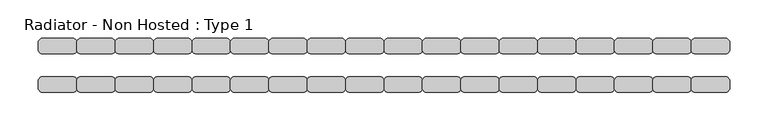
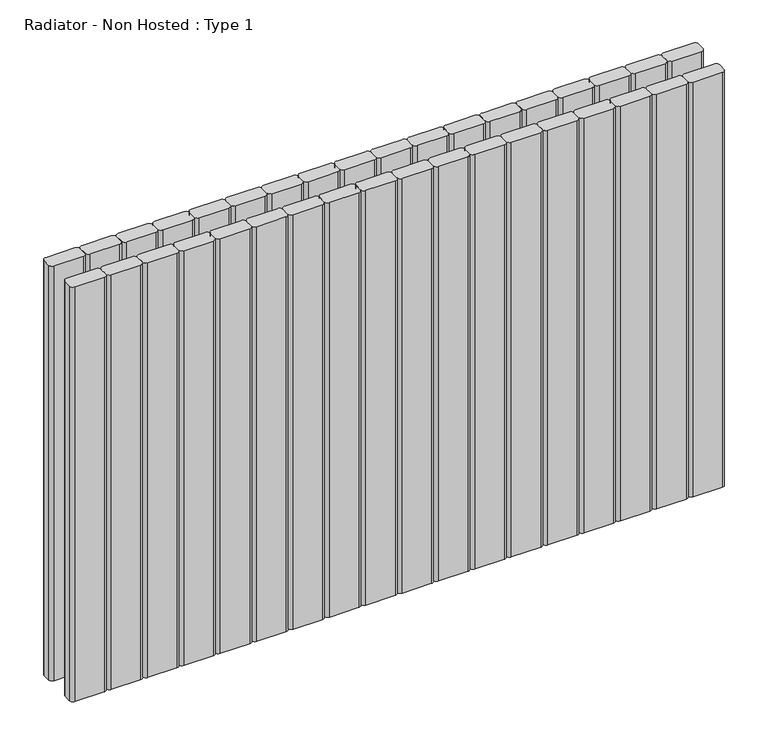
"""IFC4 building model written with IfcOpenShell, lengths in millimetres: proxy geometry, Radiator - Non Hosted : Type 1."""

from ifc_helpers import new_model, si_unit, point, frame, frame_2d, origin, place, context, project, spatial, polyline, circle_curve, trimmed, segment, composite_curve, outline, extrude, source, transform, mapped, element, save


def radiator_non_hosted_type_1_7d9eb847(model_context):
    return source(origin(), model_context, "Body", "SweptSolid", [
        extrude(outline(composite_curve([segment(trimmed(circle_curve(frame_2d((995.0, 105.0)), 5.0), [point((995.0, 110.0))], [point((1000.0, 105.0))], False, "CARTESIAN"), True, "CONTINUOUS"), segment(polyline([(1000.0, 105.0), (1000.0, 95.0)]), True, "CONTINUOUS"), segment(trimmed(circle_curve(frame_2d((995.0, 95.0)), 5.0), [point((1000.0, 95.0))], [point((995.0, 90.0))], False, "CARTESIAN"), True, "CONTINUOUS"), segment(polyline([(995.0, 90.0), (955.0, 90.0)]), True, "CONTINUOUS"), segment(trimmed(circle_curve(frame_2d((955.0, 95.0)), 5.0), [point((955.0, 90.0))], [point((950.0, 95.0))], False, "CARTESIAN"), True, "CONTINUOUS"), segment(polyline([(950.0, 95.0), (950.0, 105.0)]), True, "CONTINUOUS"), segment(trimmed(circle_curve(frame_2d((955.0, 105.0)), 5.0), [point((950.0, 105.0))], [point((955.0, 110.0))], False, "CARTESIAN"), True, "CONTINUOUS"), segment(polyline([(955.0, 110.0), (995.0, 110.0)]), True, "CONTINUOUS")], self_intersect=False)), frame((0.0, 0.0, 100.0), z_axis=(0.0, 0.0, 1.0), x_axis=(1.0, 0.0, 0.0)), (0.0, 0.0, 1.0), 602.7178758),
        extrude(outline(composite_curve([segment(trimmed(circle_curve(frame_2d((945.0, 105.0)), 5.0), [point((945.0, 110.0))], [point((950.0, 105.0))], False, "CARTESIAN"), True, "CONTINUOUS"), segment(polyline([(950.0, 105.0), (950.0, 95.0)]), True, "CONTINUOUS"), segment(trimmed(circle_curve(frame_2d((945.0, 95.0)), 5.0), [point((950.0, 95.0))], [point((945.0, 90.0))], False, "CARTESIAN"), True, "CONTINUOUS"), segment(polyline([(945.0, 90.0), (905.0, 90.0)]), True, "CONTINUOUS"), segment(trimmed(circle_curve(frame_2d((905.0, 95.0)), 5.0), [point((905.0, 90.0))], [point((900.0, 95.0))], False, "CARTESIAN"), True, "CONTINUOUS"), segment(polyline([(900.0, 95.0), (900.0, 105.0)]), True, "CONTINUOUS"), segment(trimmed(circle_curve(frame_2d((905.0, 105.0)), 5.0), [point((900.0, 105.0))], [point((905.0, 110.0))], False, "CARTESIAN"), True, "CONTINUOUS"), segment(polyline([(905.0, 110.0), (945.0, 110.0)]), True, "CONTINUOUS")], self_intersect=False)), frame((0.0, 0.0, 100.0), z_axis=(0.0, 0.0, 1.0), x_axis=(1.0, 0.0, 0.0)), (0.0, 0.0, 1.0), 602.7178758),
        extrude(outline(composite_curve([segment(trimmed(circle_curve(frame_2d((895.0, 105.0)), 5.0), [point((895.0, 110.0))], [point((900.0, 105.0))], False, "CARTESIAN"), True, "CONTINUOUS"), segment(polyline([(900.0, 105.0), (900.0, 95.0)]), True, "CONTINUOUS"), segment(trimmed(circle_curve(frame_2d((895.0, 95.0)), 5.0), [point((900.0, 95.0))], [point((895.0, 90.0))], False, "CARTESIAN"), True, "CONTINUOUS"), segment(polyline([(895.0, 90.0), (855.0, 90.0)]), True, "CONTINUOUS"), segment(trimmed(circle_curve(frame_2d((855.0, 95.0)), 5.0), [point((855.0, 90.0))], [point((850.0, 95.0))], False, "CARTESIAN"), True, "CONTINUOUS"), segment(polyline([(850.0, 95.0), (850.0, 105.0)]), True, "CONTINUOUS"), segment(trimmed(circle_curve(frame_2d((855.0, 105.0)), 5.0), [point((850.0, 105.0))], [point((855.0, 110.0))], False, "CARTESIAN"), True, "CONTINUOUS"), segment(polyline([(855.0, 110.0), (895.0, 110.0)]), True, "CONTINUOUS")], self_intersect=False)), frame((0.0, 0.0, 100.0), z_axis=(0.0, 0.0, 1.0), x_axis=(1.0, 0.0, 0.0)), (0.0, 0.0, 1.0), 602.7178758),
        extrude(outline(composite_curve([segment(trimmed(circle_curve(frame_2d((845.0, 105.0)), 5.0), [point((845.0, 110.0))], [point((850.0, 105.0))], False, "CARTESIAN"), True, "CONTINUOUS"), segment(polyline([(850.0, 105.0), (850.0, 95.0)]), True, "CONTINUOUS"), segment(trimmed(circle_curve(frame_2d((845.0, 95.0)), 5.0), [point((850.0, 95.0))], [point((845.0, 90.0))], False, "CARTESIAN"), True, "CONTINUOUS"), segment(polyline([(845.0, 90.0), (805.0, 90.0)]), True, "CONTINUOUS"), segment(trimmed(circle_curve(frame_2d((805.0, 95.0)), 5.0), [point((805.0, 90.0))], [point((800.0, 95.0))], False, "CARTESIAN"), True, "CONTINUOUS"), segment(polyline([(800.0, 95.0), (800.0, 105.0)]), True, "CONTINUOUS"), segment(trimmed(circle_curve(frame_2d((805.0, 105.0)), 5.0), [point((800.0, 105.0))], [point((805.0, 110.0))], False, "CARTESIAN"), True, "CONTINUOUS"), segment(polyline([(805.0, 110.0), (845.0, 110.0)]), True, "CONTINUOUS")], self_intersect=False)), frame((0.0, 0.0, 100.0), z_axis=(0.0, 0.0, 1.0), x_axis=(1.0, 0.0, 0.0)), (0.0, 0.0, 1.0), 602.7178758),
        extrude(outline(composite_curve([segment(trimmed(circle_curve(frame_2d((795.0, 105.0)), 5.0), [point((795.0, 110.0))], [point((800.0, 105.0))], False, "CARTESIAN"), True, "CONTINUOUS"), segment(polyline([(800.0, 105.0), (800.0, 95.0)]), True, "CONTINUOUS"), segment(trimmed(circle_curve(frame_2d((795.0, 95.0)), 5.0), [point((800.0, 95.0))], [point((795.0, 90.0))], False, "CARTESIAN"), True, "CONTINUOUS"), segment(polyline([(795.0, 90.0), (755.0, 90.0)]), True, "CONTINUOUS"), segment(trimmed(circle_curve(frame_2d((755.0, 95.0)), 5.0), [point((755.0, 90.0))], [point((750.0, 95.0))], False, "CARTESIAN"), True, "CONTINUOUS"), segment(polyline([(750.0, 95.0), (750.0, 105.0)]), True, "CONTINUOUS"), segment(trimmed(circle_curve(frame_2d((755.0, 105.0)), 5.0), [point((750.0, 105.0))], [point((755.0, 110.0))], False, "CARTESIAN"), True, "CONTINUOUS"), segment(polyline([(755.0, 110.0), (795.0, 110.0)]), True, "CONTINUOUS")], self_intersect=False)), frame((0.0, 0.0, 100.0), z_axis=(0.0, 0.0, 1.0), x_axis=(1.0, 0.0, 0.0)), (0.0, 0.0, 1.0), 602.7178758),
        extrude(outline(composite_curve([segment(trimmed(circle_curve(frame_2d((745.0, 105.0)), 5.0), [point((745.0, 110.0))], [point((750.0, 105.0))], False, "CARTESIAN"), True, "CONTINUOUS"), segment(polyline([(750.0, 105.0), (750.0, 95.0)]), True, "CONTINUOUS"), segment(trimmed(circle_curve(frame_2d((745.0, 95.0)), 5.0), [point((750.0, 95.0))], [point((745.0, 90.0))], False, "CARTESIAN"), True, "CONTINUOUS"), segment(polyline([(745.0, 90.0), (705.0, 90.0)]), True, "CONTINUOUS"), segment(trimmed(circle_curve(frame_2d((705.0, 95.0)), 5.0), [point((705.0, 90.0))], [point((700.0, 95.0))], False, "CARTESIAN"), True, "CONTINUOUS"), segment(polyline([(700.0, 95.0), (700.0, 105.0)]), True, "CONTINUOUS"), segment(trimmed(circle_curve(frame_2d((705.0, 105.0)), 5.0), [point((700.0, 105.0))], [point((705.0, 110.0))], False, "CARTESIAN"), True, "CONTINUOUS"), segment(polyline([(705.0, 110.0), (745.0, 110.0)]), True, "CONTINUOUS")], self_intersect=False)), frame((0.0, 0.0, 100.0), z_axis=(0.0, 0.0, 1.0), x_axis=(1.0, 0.0, 0.0)), (0.0, 0.0, 1.0), 602.7178758),
        extrude(outline(composite_curve([segment(trimmed(circle_curve(frame_2d((695.0, 105.0)), 5.0), [point((695.0, 110.0))], [point((700.0, 105.0))], False, "CARTESIAN"), True, "CONTINUOUS"), segment(polyline([(700.0, 105.0), (700.0, 95.0)]), True, "CONTINUOUS"), segment(trimmed(circle_curve(frame_2d((695.0, 95.0)), 5.0), [point((700.0, 95.0))], [point((695.0, 90.0))], False, "CARTESIAN"), True, "CONTINUOUS"), segment(polyline([(695.0, 90.0), (655.0, 90.0)]), True, "CONTINUOUS"), segment(trimmed(circle_curve(frame_2d((655.0, 95.0)), 5.0), [point((655.0, 90.0))], [point((650.0, 95.0))], False, "CARTESIAN"), True, "CONTINUOUS"), segment(polyline([(650.0, 95.0), (650.0, 105.0)]), True, "CONTINUOUS"), segment(trimmed(circle_curve(frame_2d((655.0, 105.0)), 5.0), [point((650.0, 105.0))], [point((655.0, 110.0))], False, "CARTESIAN"), True, "CONTINUOUS"), segment(polyline([(655.0, 110.0), (695.0, 110.0)]), True, "CONTINUOUS")], self_intersect=False)), frame((0.0, 0.0, 100.0), z_axis=(0.0, 0.0, 1.0), x_axis=(1.0, 0.0, 0.0)), (0.0, 0.0, 1.0), 602.7178758),
        extrude(outline(composite_curve([segment(trimmed(circle_curve(frame_2d((645.0, 105.0)), 5.0), [point((645.0, 110.0))], [point((650.0, 105.0))], False, "CARTESIAN"), True, "CONTINUOUS"), segment(polyline([(650.0, 105.0), (650.0, 95.0)]), True, "CONTINUOUS"), segment(trimmed(circle_curve(frame_2d((645.0, 95.0)), 5.0), [point((650.0, 95.0))], [point((645.0, 90.0))], False, "CARTESIAN"), True, "CONTINUOUS"), segment(polyline([(645.0, 90.0), (605.0, 90.0)]), True, "CONTINUOUS"), segment(trimmed(circle_curve(frame_2d((605.0, 95.0)), 5.0), [point((605.0, 90.0))], [point((600.0, 95.0))], False, "CARTESIAN"), True, "CONTINUOUS"), segment(polyline([(600.0, 95.0), (600.0, 105.0)]), True, "CONTINUOUS"), segment(trimmed(circle_curve(frame_2d((605.0, 105.0)), 5.0), [point((600.0, 105.0))], [point((605.0, 110.0))], False, "CARTESIAN"), True, "CONTINUOUS"), segment(polyline([(605.0, 110.0), (645.0, 110.0)]), True, "CONTINUOUS")], self_intersect=False)), frame((0.0, 0.0, 100.0), z_axis=(0.0, 0.0, 1.0), x_axis=(1.0, 0.0, 0.0)), (0.0, 0.0, 1.0), 602.7178758),
        extrude(outline(composite_curve([segment(trimmed(circle_curve(frame_2d((995.0, 55.0)), 5.0), [point((995.0, 60.0))], [point((1000.0, 55.0))], False, "CARTESIAN"), True, "CONTINUOUS"), segment(polyline([(1000.0, 55.0), (1000.0, 45.0)]), True, "CONTINUOUS"), segment(trimmed(circle_curve(frame_2d((995.0, 45.0)), 5.0), [point((1000.0, 45.0))], [point((995.0, 40.0))], False, "CARTESIAN"), True, "CONTINUOUS"), segment(polyline([(995.0, 40.0), (955.0, 40.0)]), True, "CONTINUOUS"), segment(trimmed(circle_curve(frame_2d((955.0, 45.0)), 5.0), [point((955.0, 40.0))], [point((950.0, 45.0))], False, "CARTESIAN"), True, "CONTINUOUS"), segment(polyline([(950.0, 45.0), (950.0, 55.0)]), True, "CONTINUOUS"), segment(trimmed(circle_curve(frame_2d((955.0, 55.0)), 5.0), [point((950.0, 55.0))], [point((955.0, 60.0))], False, "CARTESIAN"), True, "CONTINUOUS"), segment(polyline([(955.0, 60.0), (995.0, 60.0)]), True, "CONTINUOUS")], self_intersect=False)), frame((0.0, 0.0, 100.0), z_axis=(0.0, 0.0, 1.0), x_axis=(1.0, 0.0, 0.0)), (0.0, 0.0, 1.0), 602.7178758),
        extrude(outline(composite_curve([segment(trimmed(circle_curve(frame_2d((945.0, 55.0)), 5.0), [point((945.0, 60.0))], [point((950.0, 55.0))], False, "CARTESIAN"), True, "CONTINUOUS"), segment(polyline([(950.0, 55.0), (950.0, 45.0)]), True, "CONTINUOUS"), segment(trimmed(circle_curve(frame_2d((945.0, 45.0)), 5.0), [point((950.0, 45.0))], [point((945.0, 40.0))], False, "CARTESIAN"), True, "CONTINUOUS"), segment(polyline([(945.0, 40.0), (905.0, 40.0)]), True, "CONTINUOUS"), segment(trimmed(circle_curve(frame_2d((905.0, 45.0)), 5.0), [point((905.0, 40.0))], [point((900.0, 45.0))], False, "CARTESIAN"), True, "CONTINUOUS"), segment(polyline([(900.0, 45.0), (900.0, 55.0)]), True, "CONTINUOUS"), segment(trimmed(circle_curve(frame_2d((905.0, 55.0)), 5.0), [point((900.0, 55.0))], [point((905.0, 60.0))], False, "CARTESIAN"), True, "CONTINUOUS"), segment(polyline([(905.0, 60.0), (945.0, 60.0)]), True, "CONTINUOUS")], self_intersect=False)), frame((0.0, 0.0, 100.0), z_axis=(0.0, 0.0, 1.0), x_axis=(1.0, 0.0, 0.0)), (0.0, 0.0, 1.0), 602.7178758),
        extrude(outline(composite_curve([segment(trimmed(circle_curve(frame_2d((895.0, 55.0)), 5.0), [point((895.0, 60.0))], [point((900.0, 55.0))], False, "CARTESIAN"), True, "CONTINUOUS"), segment(polyline([(900.0, 55.0), (900.0, 45.0)]), True, "CONTINUOUS"), segment(trimmed(circle_curve(frame_2d((895.0, 45.0)), 5.0), [point((900.0, 45.0))], [point((895.0, 40.0))], False, "CARTESIAN"), True, "CONTINUOUS"), segment(polyline([(895.0, 40.0), (855.0, 40.0)]), True, "CONTINUOUS"), segment(trimmed(circle_curve(frame_2d((855.0, 45.0)), 5.0), [point((855.0, 40.0))], [point((850.0, 45.0))], False, "CARTESIAN"), True, "CONTINUOUS"), segment(polyline([(850.0, 45.0), (850.0, 55.0)]), True, "CONTINUOUS"), segment(trimmed(circle_curve(frame_2d((855.0, 55.0)), 5.0), [point((850.0, 55.0))], [point((855.0, 60.0))], False, "CARTESIAN"), True, "CONTINUOUS"), segment(polyline([(855.0, 60.0), (895.0, 60.0)]), True, "CONTINUOUS")], self_intersect=False)), frame((0.0, 0.0, 100.0), z_axis=(0.0, 0.0, 1.0), x_axis=(1.0, 0.0, 0.0)), (0.0, 0.0, 1.0), 602.7178758),
        extrude(outline(composite_curve([segment(trimmed(circle_curve(frame_2d((845.0, 55.0)), 5.0), [point((845.0, 60.0))], [point((850.0, 55.0))], False, "CARTESIAN"), True, "CONTINUOUS"), segment(polyline([(850.0, 55.0), (850.0, 45.0)]), True, "CONTINUOUS"), segment(trimmed(circle_curve(frame_2d((845.0, 45.0)), 5.0), [point((850.0, 45.0))], [point((845.0, 40.0))], False, "CARTESIAN"), True, "CONTINUOUS"), segment(polyline([(845.0, 40.0), (805.0, 40.0)]), True, "CONTINUOUS"), segment(trimmed(circle_curve(frame_2d((805.0, 45.0)), 5.0), [point((805.0, 40.0))], [point((800.0, 45.0))], False, "CARTESIAN"), True, "CONTINUOUS"), segment(polyline([(800.0, 45.0), (800.0, 55.0)]), True, "CONTINUOUS"), segment(trimmed(circle_curve(frame_2d((805.0, 55.0)), 5.0), [point((800.0, 55.0))], [point((805.0, 60.0))], False, "CARTESIAN"), True, "CONTINUOUS"), segment(polyline([(805.0, 60.0), (845.0, 60.0)]), True, "CONTINUOUS")], self_intersect=False)), frame((0.0, 0.0, 100.0), z_axis=(0.0, 0.0, 1.0), x_axis=(1.0, 0.0, 0.0)), (0.0, 0.0, 1.0), 602.7178758),
        extrude(outline(composite_curve([segment(trimmed(circle_curve(frame_2d((795.0, 55.0)), 5.0), [point((795.0, 60.0))], [point((800.0, 55.0))], False, "CARTESIAN"), True, "CONTINUOUS"), segment(polyline([(800.0, 55.0), (800.0, 45.0)]), True, "CONTINUOUS"), segment(trimmed(circle_curve(frame_2d((795.0, 45.0)), 5.0), [point((800.0, 45.0))], [point((795.0, 40.0))], False, "CARTESIAN"), True, "CONTINUOUS"), segment(polyline([(795.0, 40.0), (755.0, 40.0)]), True, "CONTINUOUS"), segment(trimmed(circle_curve(frame_2d((755.0, 45.0)), 5.0), [point((755.0, 40.0))], [point((750.0, 45.0))], False, "CARTESIAN"), True, "CONTINUOUS"), segment(polyline([(750.0, 45.0), (750.0, 55.0)]), True, "CONTINUOUS"), segment(trimmed(circle_curve(frame_2d((755.0, 55.0)), 5.0), [point((750.0, 55.0))], [point((755.0, 60.0))], False, "CARTESIAN"), True, "CONTINUOUS"), segment(polyline([(755.0, 60.0), (795.0, 60.0)]), True, "CONTINUOUS")], self_intersect=False)), frame((0.0, 0.0, 100.0), z_axis=(0.0, 0.0, 1.0), x_axis=(1.0, 0.0, 0.0)), (0.0, 0.0, 1.0), 602.7178758),
        extrude(outline(composite_curve([segment(trimmed(circle_curve(frame_2d((745.0, 55.0)), 5.0), [point((745.0, 60.0))], [point((750.0, 55.0))], False, "CARTESIAN"), True, "CONTINUOUS"), segment(polyline([(750.0, 55.0), (750.0, 45.0)]), True, "CONTINUOUS"), segment(trimmed(circle_curve(frame_2d((745.0, 45.0)), 5.0), [point((750.0, 45.0))], [point((745.0, 40.0))], False, "CARTESIAN"), True, "CONTINUOUS"), segment(polyline([(745.0, 40.0), (705.0, 40.0)]), True, "CONTINUOUS"), segment(trimmed(circle_curve(frame_2d((705.0, 45.0)), 5.0), [point((705.0, 40.0))], [point((700.0, 45.0))], False, "CARTESIAN"), True, "CONTINUOUS"), segment(polyline([(700.0, 45.0), (700.0, 55.0)]), True, "CONTINUOUS"), segment(trimmed(circle_curve(frame_2d((705.0, 55.0)), 5.0), [point((700.0, 55.0))], [point((705.0, 60.0))], False, "CARTESIAN"), True, "CONTINUOUS"), segment(polyline([(705.0, 60.0), (745.0, 60.0)]), True, "CONTINUOUS")], self_intersect=False)), frame((0.0, 0.0, 100.0), z_axis=(0.0, 0.0, 1.0), x_axis=(1.0, 0.0, 0.0)), (0.0, 0.0, 1.0), 602.7178758),
        extrude(outline(composite_curve([segment(trimmed(circle_curve(frame_2d((695.0, 55.0)), 5.0), [point((695.0, 60.0))], [point((700.0, 55.0))], False, "CARTESIAN"), True, "CONTINUOUS"), segment(polyline([(700.0, 55.0), (700.0, 45.0)]), True, "CONTINUOUS"), segment(trimmed(circle_curve(frame_2d((695.0, 45.0)), 5.0), [point((700.0, 45.0))], [point((695.0, 40.0))], False, "CARTESIAN"), True, "CONTINUOUS"), segment(polyline([(695.0, 40.0), (655.0, 40.0)]), True, "CONTINUOUS"), segment(trimmed(circle_curve(frame_2d((655.0, 45.0)), 5.0), [point((655.0, 40.0))], [point((650.0, 45.0))], False, "CARTESIAN"), True, "CONTINUOUS"), segment(polyline([(650.0, 45.0), (650.0, 55.0)]), True, "CONTINUOUS"), segment(trimmed(circle_curve(frame_2d((655.0, 55.0)), 5.0), [point((650.0, 55.0))], [point((655.0, 60.0))], False, "CARTESIAN"), True, "CONTINUOUS"), segment(polyline([(655.0, 60.0), (695.0, 60.0)]), True, "CONTINUOUS")], self_intersect=False)), frame((0.0, 0.0, 100.0), z_axis=(0.0, 0.0, 1.0), x_axis=(1.0, 0.0, 0.0)), (0.0, 0.0, 1.0), 602.7178758),
        extrude(outline(composite_curve([segment(trimmed(circle_curve(frame_2d((645.0, 55.0)), 5.0), [point((645.0, 60.0))], [point((650.0, 55.0))], False, "CARTESIAN"), True, "CONTINUOUS"), segment(polyline([(650.0, 55.0), (650.0, 45.0)]), True, "CONTINUOUS"), segment(trimmed(circle_curve(frame_2d((645.0, 45.0)), 5.0), [point((650.0, 45.0))], [point((645.0, 40.0))], False, "CARTESIAN"), True, "CONTINUOUS"), segment(polyline([(645.0, 40.0), (605.0, 40.0)]), True, "CONTINUOUS"), segment(trimmed(circle_curve(frame_2d((605.0, 45.0)), 5.0), [point((605.0, 40.0))], [point((600.0, 45.0))], False, "CARTESIAN"), True, "CONTINUOUS"), segment(polyline([(600.0, 45.0), (600.0, 55.0)]), True, "CONTINUOUS"), segment(trimmed(circle_curve(frame_2d((605.0, 55.0)), 5.0), [point((600.0, 55.0))], [point((605.0, 60.0))], False, "CARTESIAN"), True, "CONTINUOUS"), segment(polyline([(605.0, 60.0), (645.0, 60.0)]), True, "CONTINUOUS")], self_intersect=False)), frame((0.0, 0.0, 100.0), z_axis=(0.0, 0.0, 1.0), x_axis=(1.0, 0.0, 0.0)), (0.0, 0.0, 1.0), 602.7178758),
        extrude(outline(composite_curve([segment(trimmed(circle_curve(frame_2d((595.0, 105.0)), 5.0), [point((595.0, 110.0))], [point((600.0, 105.0))], False, "CARTESIAN"), True, "CONTINUOUS"), segment(polyline([(600.0, 105.0), (600.0, 95.0)]), True, "CONTINUOUS"), segment(trimmed(circle_curve(frame_2d((595.0, 95.0)), 5.0), [point((600.0, 95.0))], [point((595.0, 90.0))], False, "CARTESIAN"), True, "CONTINUOUS"), segment(polyline([(595.0, 90.0), (555.0, 90.0)]), True, "CONTINUOUS"), segment(trimmed(circle_curve(frame_2d((555.0, 95.0)), 5.0), [point((555.0, 90.0))], [point((550.0, 95.0))], False, "CARTESIAN"), True, "CONTINUOUS"), segment(polyline([(550.0, 95.0), (550.0, 105.0)]), True, "CONTINUOUS"), segment(trimmed(circle_curve(frame_2d((555.0, 105.0)), 5.0), [point((550.0, 105.0))], [point((555.0, 110.0))], False, "CARTESIAN"), True, "CONTINUOUS"), segment(polyline([(555.0, 110.0), (595.0, 110.0)]), True, "CONTINUOUS")], self_intersect=False)), frame((0.0, 0.0, 100.0), z_axis=(0.0, 0.0, 1.0), x_axis=(1.0, 0.0, 0.0)), (0.0, 0.0, 1.0), 602.7178758),
        extrude(outline(composite_curve([segment(trimmed(circle_curve(frame_2d((545.0, 105.0)), 5.0), [point((545.0, 110.0))], [point((550.0, 105.0))], False, "CARTESIAN"), True, "CONTINUOUS"), segment(polyline([(550.0, 105.0), (550.0, 95.0)]), True, "CONTINUOUS"), segment(trimmed(circle_curve(frame_2d((545.0, 95.0)), 5.0), [point((550.0, 95.0))], [point((545.0, 90.0))], False, "CARTESIAN"), True, "CONTINUOUS"), segment(polyline([(545.0, 90.0), (505.0, 90.0)]), True, "CONTINUOUS"), segment(trimmed(circle_curve(frame_2d((505.0, 95.0)), 5.0), [point((505.0, 90.0))], [point((500.0, 95.0))], False, "CARTESIAN"), True, "CONTINUOUS"), segment(polyline([(500.0, 95.0), (500.0, 105.0)]), True, "CONTINUOUS"), segment(trimmed(circle_curve(frame_2d((505.0, 105.0)), 5.0), [point((500.0, 105.0))], [point((505.0, 110.0))], False, "CARTESIAN"), True, "CONTINUOUS"), segment(polyline([(505.0, 110.0), (545.0, 110.0)]), True, "CONTINUOUS")], self_intersect=False)), frame((0.0, 0.0, 100.0), z_axis=(0.0, 0.0, 1.0), x_axis=(1.0, 0.0, 0.0)), (0.0, 0.0, 1.0), 602.7178758),
        extrude(outline(composite_curve([segment(trimmed(circle_curve(frame_2d((495.0, 105.0)), 5.0), [point((495.0, 110.0))], [point((500.0, 105.0))], False, "CARTESIAN"), True, "CONTINUOUS"), segment(polyline([(500.0, 105.0), (500.0, 95.0)]), True, "CONTINUOUS"), segment(trimmed(circle_curve(frame_2d((495.0, 95.0)), 5.0), [point((500.0, 95.0))], [point((495.0, 90.0))], False, "CARTESIAN"), True, "CONTINUOUS"), segment(polyline([(495.0, 90.0), (455.0, 90.0)]), True, "CONTINUOUS"), segment(trimmed(circle_curve(frame_2d((455.0, 95.0)), 5.0), [point((455.0, 90.0))], [point((450.0, 95.0))], False, "CARTESIAN"), True, "CONTINUOUS"), segment(polyline([(450.0, 95.0), (450.0, 105.0)]), True, "CONTINUOUS"), segment(trimmed(circle_curve(frame_2d((455.0, 105.0)), 5.0), [point((450.0, 105.0))], [point((455.0, 110.0))], False, "CARTESIAN"), True, "CONTINUOUS"), segment(polyline([(455.0, 110.0), (495.0, 110.0)]), True, "CONTINUOUS")], self_intersect=False)), frame((0.0, 0.0, 100.0), z_axis=(0.0, 0.0, 1.0), x_axis=(1.0, 0.0, 0.0)), (0.0, 0.0, 1.0), 602.7178758),
        extrude(outline(composite_curve([segment(trimmed(circle_curve(frame_2d((445.0, 105.0)), 5.0), [point((445.0, 110.0))], [point((450.0, 105.0))], False, "CARTESIAN"), True, "CONTINUOUS"), segment(polyline([(450.0, 105.0), (450.0, 95.0)]), True, "CONTINUOUS"), segment(trimmed(circle_curve(frame_2d((445.0, 95.0)), 5.0), [point((450.0, 95.0))], [point((445.0, 90.0))], False, "CARTESIAN"), True, "CONTINUOUS"), segment(polyline([(445.0, 90.0), (405.0, 90.0)]), True, "CONTINUOUS"), segment(trimmed(circle_curve(frame_2d((405.0, 95.0)), 5.0), [point((405.0, 90.0))], [point((400.0, 95.0))], False, "CARTESIAN"), True, "CONTINUOUS"), segment(polyline([(400.0, 95.0), (400.0, 105.0)]), True, "CONTINUOUS"), segment(trimmed(circle_curve(frame_2d((405.0, 105.0)), 5.0), [point((400.0, 105.0))], [point((405.0, 110.0))], False, "CARTESIAN"), True, "CONTINUOUS"), segment(polyline([(405.0, 110.0), (445.0, 110.0)]), True, "CONTINUOUS")], self_intersect=False)), frame((0.0, 0.0, 100.0), z_axis=(0.0, 0.0, 1.0), x_axis=(1.0, 0.0, 0.0)), (0.0, 0.0, 1.0), 602.7178758),
        extrude(outline(composite_curve([segment(trimmed(circle_curve(frame_2d((395.0, 105.0)), 5.0), [point((395.0, 110.0))], [point((400.0, 105.0))], False, "CARTESIAN"), True, "CONTINUOUS"), segment(polyline([(400.0, 105.0), (400.0, 95.0)]), True, "CONTINUOUS"), segment(trimmed(circle_curve(frame_2d((395.0, 95.0)), 5.0), [point((400.0, 95.0))], [point((395.0, 90.0))], False, "CARTESIAN"), True, "CONTINUOUS"), segment(polyline([(395.0, 90.0), (355.0, 90.0)]), True, "CONTINUOUS"), segment(trimmed(circle_curve(frame_2d((355.0, 95.0)), 5.0), [point((355.0, 90.0))], [point((350.0, 95.0))], False, "CARTESIAN"), True, "CONTINUOUS"), segment(polyline([(350.0, 95.0), (350.0, 105.0)]), True, "CONTINUOUS"), segment(trimmed(circle_curve(frame_2d((355.0, 105.0)), 5.0), [point((350.0, 105.0))], [point((355.0, 110.0))], False, "CARTESIAN"), True, "CONTINUOUS"), segment(polyline([(355.0, 110.0), (395.0, 110.0)]), True, "CONTINUOUS")], self_intersect=False)), frame((0.0, 0.0, 100.0), z_axis=(0.0, 0.0, 1.0), x_axis=(1.0, 0.0, 0.0)), (0.0, 0.0, 1.0), 602.7178758),
        extrude(outline(composite_curve([segment(trimmed(circle_curve(frame_2d((345.0, 105.0)), 5.0), [point((345.0, 110.0))], [point((350.0, 105.0))], False, "CARTESIAN"), True, "CONTINUOUS"), segment(polyline([(350.0, 105.0), (350.0, 95.0)]), True, "CONTINUOUS"), segment(trimmed(circle_curve(frame_2d((345.0, 95.0)), 5.0), [point((350.0, 95.0))], [point((345.0, 90.0))], False, "CARTESIAN"), True, "CONTINUOUS"), segment(polyline([(345.0, 90.0), (305.0, 90.0)]), True, "CONTINUOUS"), segment(trimmed(circle_curve(frame_2d((305.0, 95.0)), 5.0), [point((305.0, 90.0))], [point((300.0, 95.0))], False, "CARTESIAN"), True, "CONTINUOUS"), segment(polyline([(300.0, 95.0), (300.0, 105.0)]), True, "CONTINUOUS"), segment(trimmed(circle_curve(frame_2d((305.0, 105.0)), 5.0), [point((300.0, 105.0))], [point((305.0, 110.0))], False, "CARTESIAN"), True, "CONTINUOUS"), segment(polyline([(305.0, 110.0), (345.0, 110.0)]), True, "CONTINUOUS")], self_intersect=False)), frame((0.0, 0.0, 100.0), z_axis=(0.0, 0.0, 1.0), x_axis=(1.0, 0.0, 0.0)), (0.0, 0.0, 1.0), 602.7178758),
        extrude(outline(composite_curve([segment(trimmed(circle_curve(frame_2d((295.0, 105.0)), 5.0), [point((295.0, 110.0))], [point((300.0, 105.0))], False, "CARTESIAN"), True, "CONTINUOUS"), segment(polyline([(300.0, 105.0), (300.0, 95.0)]), True, "CONTINUOUS"), segment(trimmed(circle_curve(frame_2d((295.0, 95.0)), 5.0), [point((300.0, 95.0))], [point((295.0, 90.0))], False, "CARTESIAN"), True, "CONTINUOUS"), segment(polyline([(295.0, 90.0), (255.0, 90.0)]), True, "CONTINUOUS"), segment(trimmed(circle_curve(frame_2d((255.0, 95.0)), 5.0), [point((255.0, 90.0))], [point((250.0, 95.0))], False, "CARTESIAN"), True, "CONTINUOUS"), segment(polyline([(250.0, 95.0), (250.0, 105.0)]), True, "CONTINUOUS"), segment(trimmed(circle_curve(frame_2d((255.0, 105.0)), 5.0), [point((250.0, 105.0))], [point((255.0, 110.0))], False, "CARTESIAN"), True, "CONTINUOUS"), segment(polyline([(255.0, 110.0), (295.0, 110.0)]), True, "CONTINUOUS")], self_intersect=False)), frame((0.0, 0.0, 100.0), z_axis=(0.0, 0.0, 1.0), x_axis=(1.0, 0.0, 0.0)), (0.0, 0.0, 1.0), 602.7178758),
        extrude(outline(composite_curve([segment(trimmed(circle_curve(frame_2d((245.0, 105.0)), 5.0), [point((245.0, 110.0))], [point((250.0, 105.0))], False, "CARTESIAN"), True, "CONTINUOUS"), segment(polyline([(250.0, 105.0), (250.0, 95.0)]), True, "CONTINUOUS"), segment(trimmed(circle_curve(frame_2d((245.0, 95.0)), 5.0), [point((250.0, 95.0))], [point((245.0, 90.0))], False, "CARTESIAN"), True, "CONTINUOUS"), segment(polyline([(245.0, 90.0), (205.0, 90.0)]), True, "CONTINUOUS"), segment(trimmed(circle_curve(frame_2d((205.0, 95.0)), 5.0), [point((205.0, 90.0))], [point((200.0, 95.0))], False, "CARTESIAN"), True, "CONTINUOUS"), segment(polyline([(200.0, 95.0), (200.0, 105.0)]), True, "CONTINUOUS"), segment(trimmed(circle_curve(frame_2d((205.0, 105.0)), 5.0), [point((200.0, 105.0))], [point((205.0, 110.0))], False, "CARTESIAN"), True, "CONTINUOUS"), segment(polyline([(205.0, 110.0), (245.0, 110.0)]), True, "CONTINUOUS")], self_intersect=False)), frame((0.0, 0.0, 100.0), z_axis=(0.0, 0.0, 1.0), x_axis=(1.0, 0.0, 0.0)), (0.0, 0.0, 1.0), 602.7178758),
        extrude(outline(composite_curve([segment(trimmed(circle_curve(frame_2d((195.0, 105.0)), 5.0), [point((195.0, 110.0))], [point((200.0, 105.0))], False, "CARTESIAN"), True, "CONTINUOUS"), segment(polyline([(200.0, 105.0), (200.0, 95.0)]), True, "CONTINUOUS"), segment(trimmed(circle_curve(frame_2d((195.0, 95.0)), 5.0), [point((200.0, 95.0))], [point((195.0, 90.0))], False, "CARTESIAN"), True, "CONTINUOUS"), segment(polyline([(195.0, 90.0), (155.0, 90.0)]), True, "CONTINUOUS"), segment(trimmed(circle_curve(frame_2d((155.0, 95.0)), 5.0), [point((155.0, 90.0))], [point((150.0, 95.0))], False, "CARTESIAN"), True, "CONTINUOUS"), segment(polyline([(150.0, 95.0), (150.0, 105.0)]), True, "CONTINUOUS"), segment(trimmed(circle_curve(frame_2d((155.0, 105.0)), 5.0), [point((150.0, 105.0))], [point((155.0, 110.0))], False, "CARTESIAN"), True, "CONTINUOUS"), segment(polyline([(155.0, 110.0), (195.0, 110.0)]), True, "CONTINUOUS")], self_intersect=False)), frame((0.0, 0.0, 100.0), z_axis=(0.0, 0.0, 1.0), x_axis=(1.0, 0.0, 0.0)), (0.0, 0.0, 1.0), 602.7178758),
        extrude(outline(composite_curve([segment(trimmed(circle_curve(frame_2d((595.0, 55.0)), 5.0), [point((595.0, 60.0))], [point((600.0, 55.0))], False, "CARTESIAN"), True, "CONTINUOUS"), segment(polyline([(600.0, 55.0), (600.0, 45.0)]), True, "CONTINUOUS"), segment(trimmed(circle_curve(frame_2d((595.0, 45.0)), 5.0), [point((600.0, 45.0))], [point((595.0, 40.0))], False, "CARTESIAN"), True, "CONTINUOUS"), segment(polyline([(595.0, 40.0), (555.0, 40.0)]), True, "CONTINUOUS"), segment(trimmed(circle_curve(frame_2d((555.0, 45.0)), 5.0), [point((555.0, 40.0))], [point((550.0, 45.0))], False, "CARTESIAN"), True, "CONTINUOUS"), segment(polyline([(550.0, 45.0), (550.0, 55.0)]), True, "CONTINUOUS"), segment(trimmed(circle_curve(frame_2d((555.0, 55.0)), 5.0), [point((550.0, 55.0))], [point((555.0, 60.0))], False, "CARTESIAN"), True, "CONTINUOUS"), segment(polyline([(555.0, 60.0), (595.0, 60.0)]), True, "CONTINUOUS")], self_intersect=False)), frame((0.0, 0.0, 100.0), z_axis=(0.0, 0.0, 1.0), x_axis=(1.0, 0.0, 0.0)), (0.0, 0.0, 1.0), 602.7178758),
        extrude(outline(composite_curve([segment(trimmed(circle_curve(frame_2d((545.0, 55.0)), 5.0), [point((545.0, 60.0))], [point((550.0, 55.0))], False, "CARTESIAN"), True, "CONTINUOUS"), segment(polyline([(550.0, 55.0), (550.0, 45.0)]), True, "CONTINUOUS"), segment(trimmed(circle_curve(frame_2d((545.0, 45.0)), 5.0), [point((550.0, 45.0))], [point((545.0, 40.0))], False, "CARTESIAN"), True, "CONTINUOUS"), segment(polyline([(545.0, 40.0), (505.0, 40.0)]), True, "CONTINUOUS"), segment(trimmed(circle_curve(frame_2d((505.0, 45.0)), 5.0), [point((505.0, 40.0))], [point((500.0, 45.0))], False, "CARTESIAN"), True, "CONTINUOUS"), segment(polyline([(500.0, 45.0), (500.0, 55.0)]), True, "CONTINUOUS"), segment(trimmed(circle_curve(frame_2d((505.0, 55.0)), 5.0), [point((500.0, 55.0))], [point((505.0, 60.0))], False, "CARTESIAN"), True, "CONTINUOUS"), segment(polyline([(505.0, 60.0), (545.0, 60.0)]), True, "CONTINUOUS")], self_intersect=False)), frame((0.0, 0.0, 100.0), z_axis=(0.0, 0.0, 1.0), x_axis=(1.0, 0.0, 0.0)), (0.0, 0.0, 1.0), 602.7178758),
        extrude(outline(composite_curve([segment(trimmed(circle_curve(frame_2d((495.0, 55.0)), 5.0), [point((495.0, 60.0))], [point((500.0, 55.0))], False, "CARTESIAN"), True, "CONTINUOUS"), segment(polyline([(500.0, 55.0), (500.0, 45.0)]), True, "CONTINUOUS"), segment(trimmed(circle_curve(frame_2d((495.0, 45.0)), 5.0), [point((500.0, 45.0))], [point((495.0, 40.0))], False, "CARTESIAN"), True, "CONTINUOUS"), segment(polyline([(495.0, 40.0), (455.0, 40.0)]), True, "CONTINUOUS"), segment(trimmed(circle_curve(frame_2d((455.0, 45.0)), 5.0), [point((455.0, 40.0))], [point((450.0, 45.0))], False, "CARTESIAN"), True, "CONTINUOUS"), segment(polyline([(450.0, 45.0), (450.0, 55.0)]), True, "CONTINUOUS"), segment(trimmed(circle_curve(frame_2d((455.0, 55.0)), 5.0), [point((450.0, 55.0))], [point((455.0, 60.0))], False, "CARTESIAN"), True, "CONTINUOUS"), segment(polyline([(455.0, 60.0), (495.0, 60.0)]), True, "CONTINUOUS")], self_intersect=False)), frame((0.0, 0.0, 100.0), z_axis=(0.0, 0.0, 1.0), x_axis=(1.0, 0.0, 0.0)), (0.0, 0.0, 1.0), 602.7178758),
        extrude(outline(composite_curve([segment(trimmed(circle_curve(frame_2d((445.0, 55.0)), 5.0), [point((445.0, 60.0))], [point((450.0, 55.0))], False, "CARTESIAN"), True, "CONTINUOUS"), segment(polyline([(450.0, 55.0), (450.0, 45.0)]), True, "CONTINUOUS"), segment(trimmed(circle_curve(frame_2d((445.0, 45.0)), 5.0), [point((450.0, 45.0))], [point((445.0, 40.0))], False, "CARTESIAN"), True, "CONTINUOUS"), segment(polyline([(445.0, 40.0), (405.0, 40.0)]), True, "CONTINUOUS"), segment(trimmed(circle_curve(frame_2d((405.0, 45.0)), 5.0), [point((405.0, 40.0))], [point((400.0, 45.0))], False, "CARTESIAN"), True, "CONTINUOUS"), segment(polyline([(400.0, 45.0), (400.0, 55.0)]), True, "CONTINUOUS"), segment(trimmed(circle_curve(frame_2d((405.0, 55.0)), 5.0), [point((400.0, 55.0))], [point((405.0, 60.0))], False, "CARTESIAN"), True, "CONTINUOUS"), segment(polyline([(405.0, 60.0), (445.0, 60.0)]), True, "CONTINUOUS")], self_intersect=False)), frame((0.0, 0.0, 100.0), z_axis=(0.0, 0.0, 1.0), x_axis=(1.0, 0.0, 0.0)), (0.0, 0.0, 1.0), 602.7178758),
        extrude(outline(composite_curve([segment(trimmed(circle_curve(frame_2d((395.0, 55.0)), 5.0), [point((395.0, 60.0))], [point((400.0, 55.0))], False, "CARTESIAN"), True, "CONTINUOUS"), segment(polyline([(400.0, 55.0), (400.0, 45.0)]), True, "CONTINUOUS"), segment(trimmed(circle_curve(frame_2d((395.0, 45.0)), 5.0), [point((400.0, 45.0))], [point((395.0, 40.0))], False, "CARTESIAN"), True, "CONTINUOUS"), segment(polyline([(395.0, 40.0), (355.0, 40.0)]), True, "CONTINUOUS"), segment(trimmed(circle_curve(frame_2d((355.0, 45.0)), 5.0), [point((355.0, 40.0))], [point((350.0, 45.0))], False, "CARTESIAN"), True, "CONTINUOUS"), segment(polyline([(350.0, 45.0), (350.0, 55.0)]), True, "CONTINUOUS"), segment(trimmed(circle_curve(frame_2d((355.0, 55.0)), 5.0), [point((350.0, 55.0))], [point((355.0, 60.0))], False, "CARTESIAN"), True, "CONTINUOUS"), segment(polyline([(355.0, 60.0), (395.0, 60.0)]), True, "CONTINUOUS")], self_intersect=False)), frame((0.0, 0.0, 100.0), z_axis=(0.0, 0.0, 1.0), x_axis=(1.0, 0.0, 0.0)), (0.0, 0.0, 1.0), 602.7178758),
        extrude(outline(composite_curve([segment(trimmed(circle_curve(frame_2d((345.0, 55.0)), 5.0), [point((345.0, 60.0))], [point((350.0, 55.0))], False, "CARTESIAN"), True, "CONTINUOUS"), segment(polyline([(350.0, 55.0), (350.0, 45.0)]), True, "CONTINUOUS"), segment(trimmed(circle_curve(frame_2d((345.0, 45.0)), 5.0), [point((350.0, 45.0))], [point((345.0, 40.0))], False, "CARTESIAN"), True, "CONTINUOUS"), segment(polyline([(345.0, 40.0), (305.0, 40.0)]), True, "CONTINUOUS"), segment(trimmed(circle_curve(frame_2d((305.0, 45.0)), 5.0), [point((305.0, 40.0))], [point((300.0, 45.0))], False, "CARTESIAN"), True, "CONTINUOUS"), segment(polyline([(300.0, 45.0), (300.0, 55.0)]), True, "CONTINUOUS"), segment(trimmed(circle_curve(frame_2d((305.0, 55.0)), 5.0), [point((300.0, 55.0))], [point((305.0, 60.0))], False, "CARTESIAN"), True, "CONTINUOUS"), segment(polyline([(305.0, 60.0), (345.0, 60.0)]), True, "CONTINUOUS")], self_intersect=False)), frame((0.0, 0.0, 100.0), z_axis=(0.0, 0.0, 1.0), x_axis=(1.0, 0.0, 0.0)), (0.0, 0.0, 1.0), 602.7178758),
        extrude(outline(composite_curve([segment(trimmed(circle_curve(frame_2d((295.0, 55.0)), 5.0), [point((295.0, 60.0))], [point((300.0, 55.0))], False, "CARTESIAN"), True, "CONTINUOUS"), segment(polyline([(300.0, 55.0), (300.0, 45.0)]), True, "CONTINUOUS"), segment(trimmed(circle_curve(frame_2d((295.0, 45.0)), 5.0), [point((300.0, 45.0))], [point((295.0, 40.0))], False, "CARTESIAN"), True, "CONTINUOUS"), segment(polyline([(295.0, 40.0), (255.0, 40.0)]), True, "CONTINUOUS"), segment(trimmed(circle_curve(frame_2d((255.0, 45.0)), 5.0), [point((255.0, 40.0))], [point((250.0, 45.0))], False, "CARTESIAN"), True, "CONTINUOUS"), segment(polyline([(250.0, 45.0), (250.0, 55.0)]), True, "CONTINUOUS"), segment(trimmed(circle_curve(frame_2d((255.0, 55.0)), 5.0), [point((250.0, 55.0))], [point((255.0, 60.0))], False, "CARTESIAN"), True, "CONTINUOUS"), segment(polyline([(255.0, 60.0), (295.0, 60.0)]), True, "CONTINUOUS")], self_intersect=False)), frame((0.0, 0.0, 100.0), z_axis=(0.0, 0.0, 1.0), x_axis=(1.0, 0.0, 0.0)), (0.0, 0.0, 1.0), 602.7178758),
        extrude(outline(composite_curve([segment(trimmed(circle_curve(frame_2d((245.0, 55.0)), 5.0), [point((245.0, 60.0))], [point((250.0, 55.0))], False, "CARTESIAN"), True, "CONTINUOUS"), segment(polyline([(250.0, 55.0), (250.0, 45.0)]), True, "CONTINUOUS"), segment(trimmed(circle_curve(frame_2d((245.0, 45.0)), 5.0), [point((250.0, 45.0))], [point((245.0, 40.0))], False, "CARTESIAN"), True, "CONTINUOUS"), segment(polyline([(245.0, 40.0), (205.0, 40.0)]), True, "CONTINUOUS"), segment(trimmed(circle_curve(frame_2d((205.0, 45.0)), 5.0), [point((205.0, 40.0))], [point((200.0, 45.0))], False, "CARTESIAN"), True, "CONTINUOUS"), segment(polyline([(200.0, 45.0), (200.0, 55.0)]), True, "CONTINUOUS"), segment(trimmed(circle_curve(frame_2d((205.0, 55.0)), 5.0), [point((200.0, 55.0))], [point((205.0, 60.0))], False, "CARTESIAN"), True, "CONTINUOUS"), segment(polyline([(205.0, 60.0), (245.0, 60.0)]), True, "CONTINUOUS")], self_intersect=False)), frame((0.0, 0.0, 100.0), z_axis=(0.0, 0.0, 1.0), x_axis=(1.0, 0.0, 0.0)), (0.0, 0.0, 1.0), 602.7178758),
        extrude(outline(composite_curve([segment(trimmed(circle_curve(frame_2d((195.0, 55.0)), 5.0), [point((195.0, 60.0))], [point((200.0, 55.0))], False, "CARTESIAN"), True, "CONTINUOUS"), segment(polyline([(200.0, 55.0), (200.0, 45.0)]), True, "CONTINUOUS"), segment(trimmed(circle_curve(frame_2d((195.0, 45.0)), 5.0), [point((200.0, 45.0))], [point((195.0, 40.0))], False, "CARTESIAN"), True, "CONTINUOUS"), segment(polyline([(195.0, 40.0), (155.0, 40.0)]), True, "CONTINUOUS"), segment(trimmed(circle_curve(frame_2d((155.0, 45.0)), 5.0), [point((155.0, 40.0))], [point((150.0, 45.0))], False, "CARTESIAN"), True, "CONTINUOUS"), segment(polyline([(150.0, 45.0), (150.0, 55.0)]), True, "CONTINUOUS"), segment(trimmed(circle_curve(frame_2d((155.0, 55.0)), 5.0), [point((150.0, 55.0))], [point((155.0, 60.0))], False, "CARTESIAN"), True, "CONTINUOUS"), segment(polyline([(155.0, 60.0), (195.0, 60.0)]), True, "CONTINUOUS")], self_intersect=False)), frame((0.0, 0.0, 100.0), z_axis=(0.0, 0.0, 1.0), x_axis=(1.0, 0.0, 0.0)), (0.0, 0.0, 1.0), 602.7178758),
        extrude(outline(composite_curve([segment(trimmed(circle_curve(frame_2d((145.0, 105.0)), 5.0), [point((145.0, 110.0))], [point((150.0, 105.0))], False, "CARTESIAN"), True, "CONTINUOUS"), segment(polyline([(150.0, 105.0), (150.0, 95.0)]), True, "CONTINUOUS"), segment(trimmed(circle_curve(frame_2d((145.0, 95.0)), 5.0), [point((150.0, 95.0))], [point((145.0, 90.0))], False, "CARTESIAN"), True, "CONTINUOUS"), segment(polyline([(145.0, 90.0), (105.0, 90.0)]), True, "CONTINUOUS"), segment(trimmed(circle_curve(frame_2d((105.0, 95.0)), 5.0), [point((105.0, 90.0))], [point((100.0, 95.0))], False, "CARTESIAN"), True, "CONTINUOUS"), segment(polyline([(100.0, 95.0), (100.0, 105.0)]), True, "CONTINUOUS"), segment(trimmed(circle_curve(frame_2d((105.0, 105.0)), 5.0), [point((100.0, 105.0))], [point((105.0, 110.0))], False, "CARTESIAN"), True, "CONTINUOUS"), segment(polyline([(105.0, 110.0), (145.0, 110.0)]), True, "CONTINUOUS")], self_intersect=False)), frame((0.0, 0.0, 100.0), z_axis=(0.0, 0.0, 1.0), x_axis=(1.0, 0.0, 0.0)), (0.0, 0.0, 1.0), 602.7178758),
        extrude(outline(composite_curve([segment(trimmed(circle_curve(frame_2d((145.0, 55.0)), 5.0), [point((145.0, 60.0))], [point((150.0, 55.0))], False, "CARTESIAN"), True, "CONTINUOUS"), segment(polyline([(150.0, 55.0), (150.0, 45.0)]), True, "CONTINUOUS"), segment(trimmed(circle_curve(frame_2d((145.0, 45.0)), 5.0), [point((150.0, 45.0))], [point((145.0, 40.0))], False, "CARTESIAN"), True, "CONTINUOUS"), segment(polyline([(145.0, 40.0), (105.0, 40.0)]), True, "CONTINUOUS"), segment(trimmed(circle_curve(frame_2d((105.0, 45.0)), 5.0), [point((105.0, 40.0))], [point((100.0, 45.0))], False, "CARTESIAN"), True, "CONTINUOUS"), segment(polyline([(100.0, 45.0), (100.0, 55.0)]), True, "CONTINUOUS"), segment(trimmed(circle_curve(frame_2d((105.0, 55.0)), 5.0), [point((100.0, 55.0))], [point((105.0, 60.0))], False, "CARTESIAN"), True, "CONTINUOUS"), segment(polyline([(105.0, 60.0), (145.0, 60.0)]), True, "CONTINUOUS")], self_intersect=False)), frame((0.0, 0.0, 100.0), z_axis=(0.0, 0.0, 1.0), x_axis=(1.0, 0.0, 0.0)), (0.0, 0.0, 1.0), 602.7178758),
    ])


if __name__ == "__main__":
    model = new_model("IFC4")
    model_context = context("Model", 3, world=origin())
    ifc_project = project(units=[si_unit("LENGTHUNIT", "METRE", prefix="MILLI")], contexts=[model_context])
    site = spatial("IfcSite", under=ifc_project)
    building = spatial("IfcBuilding", under=site)
    placement = place(None, origin())
    radiator_non_hosted_type_1_shape = radiator_non_hosted_type_1_7d9eb847(model_context)
    element("IfcBuildingElementProxy", 1, Name="Radiator - Non Hosted : Type 1", ObjectType="Radiator - Non Hosted : Type 1", at=placement, inside=building, context=model_context, shape_type="MappedRepresentation", body=[
        mapped(radiator_non_hosted_type_1_shape, transform((0.0, 0.0, 0.0), x_axis=(1.0, 0.0, 0.0), y_axis=(0.0, 1.0, 0.0), z_axis=(0.0, 0.0, 1.0))),
    ])
    save(model, "model.ifc")
